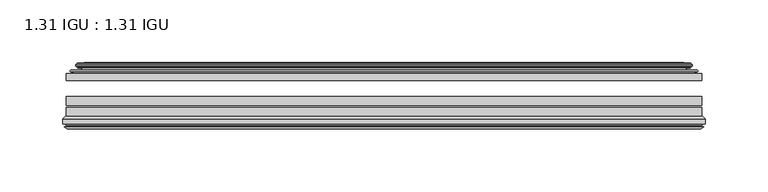
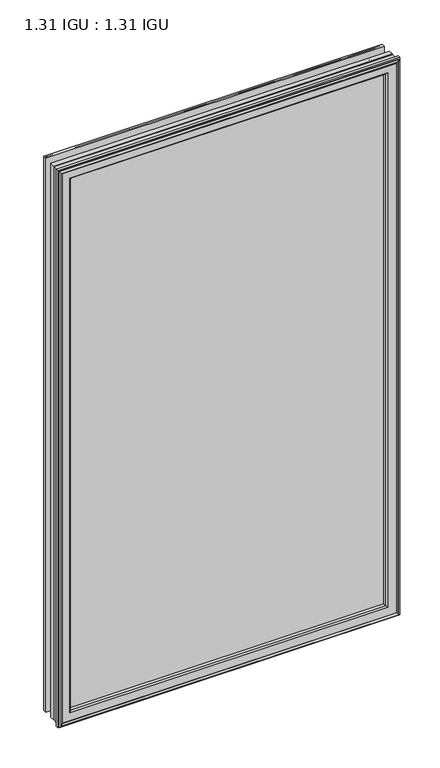
"""IFC4 building model written with IfcOpenShell, lengths in millimetres: plate geometry, 1.31 IGU : 1.31 IGU."""

from ifc_helpers import new_model, si_unit, frame, origin, place, context, project, spatial, polyline, ellipse_curve, outline, extrude, source, transform, mapped, element, save
from ifc_brep_helpers import plane_surface, cylinder_surface, revolved_surface, advanced_brep


def plate_1_31_igu_1_31_igu_8b9e6db9(model_context):
    return source(origin(), model_context, "Body", "SolidModel", [
        extrude(outline(polyline([(252.4075649, -44.8960875), (252.4075649, -50.4332875), (-252.4125, -50.4332875), (-252.4125, -44.8960875), (252.4075649, -44.8960875)])), frame((0.0, 0.0, -14.2875), z_axis=(0.0, 0.0, 1.0), x_axis=(1.0, 0.0, 0.0)), (0.0, 0.0, 1.0), 873.125),
        extrude(outline(polyline([(-252.4125, -78.7796875), (-252.4125, -71.7692875), (252.4075649, -71.7692875), (252.4075649, -78.7796875), (-252.4125, -78.7796875)])), frame((0.0, 0.0, -14.2875), z_axis=(0.0, 0.0, 1.0), x_axis=(1.0, 0.0, 0.0)), (0.0, 0.0, 1.0), 873.125),
        extrude(outline(polyline([(-252.4125, -70.2452875), (-252.4125, -63.1332875), (252.4075649, -63.1332875), (252.4075649, -70.2452875), (-252.4125, -70.2452875)])), frame((0.0, 0.0, -14.2875), z_axis=(0.0, 0.0, 1.0), x_axis=(1.0, 0.0, 0.0)), (0.0, 0.0, 1.0), 873.125),
        advanced_brep(
        [(-243.0671755, -37.7373382, 849.4921755), (-238.1255426, -36.3108875, 844.5505426), (-238.1255426, -36.3108875, -0.0005426), (-243.0671755, -37.7373382, -4.9421755), (-242.9020702, -36.9605789, 849.3270702), (-242.9020702, -36.9605789, -4.7770702), (-243.4975559, -36.4771203, 849.9225559), (-243.4975559, -36.4771203, -5.3725559), (-244.7621917, -37.766076, 851.1871917), (-244.7621917, -37.766076, -6.6371917), (-244.7513749, -38.8797852, 851.1763749), (-244.7513749, -38.8797852, -6.6263749), (-243.4698897, -40.1361433, 849.8948897), (-243.4698897, -40.1361433, -5.3448897), (-242.8648829, -39.649943, 849.2898829), (-242.8648829, -39.649943, -4.7398829), (-243.4188972, -39.0959287, 849.8438972), (-243.4188972, -39.0959287, -5.2938972), (-241.1330887, -38.7029881, 847.5580887), (-241.1330887, -38.7029881, -3.0080887), (-239.6740157, -40.2107282, 846.0990157), (-239.6740157, -40.2107282, -1.5490157), (-239.9705976, -41.651269, 846.3955976), (-239.9705976, -41.651269, -1.8455976), (-240.7418221, -42.2798875, 847.1668221), (-240.7418221, -42.2798875, -2.6168221), (-249.0457984, -43.4871542, 855.4707984), (-248.7705969, -42.2798875, 855.1955969), (-248.7705969, -42.2798875, -10.6455969), (-249.0457984, -43.4871542, -10.9207984), (-245.5882297, -44.8960875, 852.0132297), (-245.5882297, -44.8960875, -7.4632297), (-234.4906059, -44.023302, 840.9156059), (-234.8459439, -44.8960875, 841.2709439), (-234.8459439, -44.8960875, 3.2790561), (-234.4906059, -44.023302, 3.6343941), (-235.161804, -43.3681812, 841.586804), (-235.161804, -43.3681812, 2.963196), (-236.8025946, -40.6686056, 843.2275946), (-236.8025946, -40.6686056, 1.3224054), (238.1255426, -36.3108875, -0.0005426), (243.0671755, -37.7373382, -4.9421755), (242.9020702, -36.9605789, -4.7770702), (243.4975559, -36.4771203, -5.3725559), (244.7621917, -37.766076, -6.6371917), (244.7513749, -38.8797852, -6.6263749), (243.4698897, -40.1361433, -5.3448897), (242.8648829, -39.649943, -4.7398829), (243.4188972, -39.0959287, -5.2938972), (241.1330887, -38.7029881, -3.0080887), (239.6740157, -40.2107282, -1.5490157), (239.9705976, -41.651269, -1.8455976), (240.7418221, -42.2798875, -2.6168221), (248.7705969, -42.2798875, -10.6455969), (249.0457984, -43.4871542, -10.9207984), (245.5882297, -44.8960875, -7.4632297), (234.8459439, -44.8960875, 3.2790561), (234.4906059, -44.023302, 3.6343941), (235.161804, -43.3681812, 2.963196), (236.8025946, -40.6686056, 1.3224054), (238.1255426, -36.3108875, 844.5505426), (243.0671755, -37.7373382, 849.4921755), (242.9020702, -36.9605789, 849.3270702), (243.4975559, -36.4771203, 849.9225559), (244.7621917, -37.766076, 851.1871917), (244.7513749, -38.8797852, 851.1763749), (243.4698897, -40.1361433, 849.8948897), (242.8648829, -39.649943, 849.2898829), (243.4188972, -39.0959287, 849.8438972), (241.1330887, -38.7029881, 847.5580887), (239.6740157, -40.2107282, 846.0990157), (239.9705976, -41.651269, 846.3955976), (240.7418221, -42.2798875, 847.1668221), (248.7705969, -42.2798875, 855.1955969), (249.0457984, -43.4871542, 855.4707984), (245.5882297, -44.8960875, 852.0132297), (234.8459439, -44.8960875, 841.2709439), (234.4906059, -44.023302, 840.9156059), (235.161804, -43.3681812, 841.586804), (236.8025946, -40.6686056, 843.2275946)],
        [
            (0, 1),
            (1, 2),
            (2, 3),
            (3, 0),
            (4, 0),
            (3, 5),
            (5, 4),
            (6, 4, ellipse_curve(frame((-243.2225871, -36.746901, 849.6475871), z_axis=(-0.7071067811865475, 0.0, -0.7071067811865475), x_axis=(-0.7071067811865474, 0.0, 0.7071067811865476)), 0.5447741, 0.3852135)),
            (5, 7, ellipse_curve(frame((-243.2225871, -36.746901, -5.0975871), z_axis=(-0.7071067811865475, 0.0, 0.7071067811865475), x_axis=(0.7071067811865474, 0.0, 0.7071067811865476)), 0.5447741, 0.3852135)),
            (7, 6),
            (8, 6),
            (7, 9),
            (9, 8),
            (10, 8, ellipse_curve(frame((-244.2001387, -38.3175243, 850.6251387), z_axis=(-0.7071067811865475, 0.0, -0.7071067811865475), x_axis=(-0.7071067811865474, 0.0, 0.7071067811865476)), 1.1135518, 0.7874)),
            (9, 11, ellipse_curve(frame((-244.2001387, -38.3175243, -6.0751387), z_axis=(-0.7071067811865475, 0.0, 0.7071067811865475), x_axis=(0.7071067811865474, 0.0, 0.7071067811865476)), 1.1135518, 0.7874)),
            (11, 10),
            (12, 10),
            (11, 13),
            (13, 12),
            (14, 12, ellipse_curve(frame((-243.1962922, -39.8570738, 849.6212922), z_axis=(-0.7071067811865475, 0.0, -0.7071067811865475), x_axis=(-0.7071067811865474, 0.0, 0.7071067811865476)), 0.552694, 0.3908137)),
            (13, 15, ellipse_curve(frame((-243.1962922, -39.8570738, -5.0712922), z_axis=(-0.7071067811865475, 0.0, 0.7071067811865475), x_axis=(0.7071067811865474, 0.0, 0.7071067811865476)), 0.552694, 0.3908137)),
            (15, 14),
            (16, 14),
            (15, 17),
            (17, 16),
            (18, 16),
            (17, 19),
            (19, 18),
            (20, 18, ellipse_curve(frame((-240.9179261, -39.954629, 847.3429261), z_axis=(0.7071067811865475, 0.0, 0.7071067811865475), x_axis=(0.7071067811865474, 0.0, -0.7071067811865476)), 1.7960512, 1.27)),
            (19, 21, ellipse_curve(frame((-240.9179261, -39.954629, -2.7929261), z_axis=(0.7071067811865475, 0.0, -0.7071067811865475), x_axis=(-0.7071067811865474, 0.0, -0.7071067811865476)), 1.7960512, 1.27)),
            (21, 20),
            (22, 20),
            (21, 23),
            (23, 22),
            (24, 22, ellipse_curve(frame((-240.7418221, -41.4924875, 847.1668221), z_axis=(0.7071067811865475, 0.0, 0.7071067811865475), x_axis=(0.7071067811865474, 0.0, -0.7071067811865476)), 1.1135518, 0.7874)),
            (23, 25, ellipse_curve(frame((-240.7418221, -41.4924875, -2.6168221), z_axis=(0.7071067811865475, 0.0, -0.7071067811865475), x_axis=(-0.7071067811865474, 0.0, -0.7071067811865476)), 1.1135518, 0.7874)),
            (25, 24),
            (26, 27, ellipse_curve(frame((-248.7705969, -42.9148875, 855.1955969), z_axis=(-0.7071067811865475, 0.0, -0.7071067811865475), x_axis=(-0.7071067811865474, 0.0, 0.7071067811865476)), 0.8980256, 0.635)),
            (27, 28),
            (28, 29, ellipse_curve(frame((-248.7705969, -42.9148875, -10.6455969), z_axis=(-0.7071067811865475, 0.0, 0.7071067811865475), x_axis=(0.7071067811865474, 0.0, 0.7071067811865476)), 0.8980256, 0.635)),
            (29, 26),
            (30, 26),
            (29, 31),
            (31, 30),
            (32, 33, ellipse_curve(frame((-234.8459439, -44.3873602, 841.2709439), z_axis=(-0.7071067811865475, 0.0, -0.7071067811865475), x_axis=(-0.7071067811865474, 0.0, 0.7071067811865476)), 0.719449, 0.5087273)),
            (33, 34),
            (34, 35, ellipse_curve(frame((-234.8459439, -44.3873602, 3.2790561), z_axis=(-0.7071067811865475, 0.0, 0.7071067811865475), x_axis=(0.7071067811865474, 0.0, 0.7071067811865476)), 0.719449, 0.5087273)),
            (35, 32),
            (36, 32),
            (35, 37),
            (37, 36),
            (38, 36, ellipse_curve(frame((-230.7264298, -38.823959, 837.1514298), z_axis=(0.7071067811865475, 0.0, 0.7071067811865475), x_axis=(0.7071067811865474, 0.0, -0.7071067811865476)), 8.9802561, 6.35)),
            (37, 39, ellipse_curve(frame((-230.7264298, -38.823959, 7.3985702), z_axis=(0.7071067811865475, 0.0, -0.7071067811865475), x_axis=(-0.7071067811865474, 0.0, -0.7071067811865476)), 8.9802561, 6.35)),
            (39, 38),
            (1, 38),
            (39, 2),
            (2, 40),
            (40, 41),
            (41, 3),
            (41, 42),
            (42, 5),
            (42, 43, ellipse_curve(frame((243.2225871, -36.746901, -5.0975871), z_axis=(-0.7071067811865475, 0.0, -0.7071067811865475), x_axis=(-0.7071067811865476, 0.0, 0.7071067811865474)), 0.5447741, 0.3852135)),
            (43, 7),
            (43, 44),
            (44, 9),
            (44, 45, ellipse_curve(frame((244.2001387, -38.3175243, -6.0751387), z_axis=(-0.7071067811865475, 0.0, -0.7071067811865475), x_axis=(-0.7071067811865476, 0.0, 0.7071067811865474)), 1.1135518, 0.7874)),
            (45, 11),
            (45, 46),
            (46, 13),
            (46, 47, ellipse_curve(frame((243.1962922, -39.8570738, -5.0712922), z_axis=(-0.7071067811865475, 0.0, -0.7071067811865475), x_axis=(-0.7071067811865476, 0.0, 0.7071067811865474)), 0.552694, 0.3908137)),
            (47, 15),
            (47, 48),
            (48, 17),
            (48, 49),
            (49, 19),
            (49, 50, ellipse_curve(frame((240.9179261, -39.954629, -2.7929261), z_axis=(0.7071067811865475, 0.0, 0.7071067811865475), x_axis=(0.7071067811865476, 0.0, -0.7071067811865474)), 1.7960512, 1.27)),
            (50, 21),
            (50, 51),
            (51, 23),
            (51, 52, ellipse_curve(frame((240.7418221, -41.4924875, -2.6168221), z_axis=(0.7071067811865475, 0.0, 0.7071067811865475), x_axis=(0.7071067811865476, 0.0, -0.7071067811865474)), 1.1135518, 0.7874)),
            (52, 25),
            (28, 53),
            (53, 54, ellipse_curve(frame((248.7705969, -42.9148875, -10.6455969), z_axis=(-0.7071067811865475, 0.0, -0.7071067811865475), x_axis=(-0.7071067811865476, 0.0, 0.7071067811865474)), 0.8980256, 0.635)),
            (54, 29),
            (54, 55),
            (55, 31),
            (34, 56),
            (56, 57, ellipse_curve(frame((234.8459439, -44.3873602, 3.2790561), z_axis=(-0.7071067811865475, 0.0, -0.7071067811865475), x_axis=(-0.7071067811865476, 0.0, 0.7071067811865474)), 0.719449, 0.5087273)),
            (57, 35),
            (57, 58),
            (58, 37),
            (58, 59, ellipse_curve(frame((230.7264298, -38.823959, 7.3985702), z_axis=(0.7071067811865475, 0.0, 0.7071067811865475), x_axis=(0.7071067811865476, 0.0, -0.7071067811865474)), 8.9802561, 6.35)),
            (59, 39),
            (59, 40),
            (40, 60),
            (60, 61),
            (61, 41),
            (61, 62),
            (62, 42),
            (62, 63, ellipse_curve(frame((243.2225871, -36.746901, 849.6475871), z_axis=(0.7071067811865475, 0.0, -0.7071067811865475), x_axis=(-0.7071067811865474, 0.0, -0.7071067811865476)), 0.5447741, 0.3852135)),
            (63, 43),
            (63, 64),
            (64, 44),
            (64, 65, ellipse_curve(frame((244.2001387, -38.3175243, 850.6251387), z_axis=(0.7071067811865475, 0.0, -0.7071067811865475), x_axis=(-0.7071067811865474, 0.0, -0.7071067811865476)), 1.1135518, 0.7874)),
            (65, 45),
            (65, 66),
            (66, 46),
            (66, 67, ellipse_curve(frame((243.1962922, -39.8570738, 849.6212922), z_axis=(0.7071067811865475, 0.0, -0.7071067811865475), x_axis=(-0.7071067811865474, 0.0, -0.7071067811865476)), 0.552694, 0.3908137)),
            (67, 47),
            (67, 68),
            (68, 48),
            (68, 69),
            (69, 49),
            (69, 70, ellipse_curve(frame((240.9179261, -39.954629, 847.3429261), z_axis=(-0.7071067811865475, 0.0, 0.7071067811865475), x_axis=(0.7071067811865474, 0.0, 0.7071067811865476)), 1.7960512, 1.27)),
            (70, 50),
            (70, 71),
            (71, 51),
            (71, 72, ellipse_curve(frame((240.7418221, -41.4924875, 847.1668221), z_axis=(-0.7071067811865475, 0.0, 0.7071067811865475), x_axis=(0.7071067811865474, 0.0, 0.7071067811865476)), 1.1135518, 0.7874)),
            (72, 52),
            (53, 73),
            (73, 74, ellipse_curve(frame((248.7705969, -42.9148875, 855.1955969), z_axis=(0.7071067811865475, 0.0, -0.7071067811865475), x_axis=(-0.7071067811865474, 0.0, -0.7071067811865476)), 0.8980256, 0.635)),
            (74, 54),
            (74, 75),
            (75, 55),
            (56, 76),
            (76, 77, ellipse_curve(frame((234.8459439, -44.3873602, 841.2709439), z_axis=(0.7071067811865475, 0.0, -0.7071067811865475), x_axis=(-0.7071067811865474, 0.0, -0.7071067811865476)), 0.719449, 0.5087273)),
            (77, 57),
            (77, 78),
            (78, 58),
            (78, 79, ellipse_curve(frame((230.7264298, -38.823959, 837.1514298), z_axis=(-0.7071067811865475, 0.0, 0.7071067811865475), x_axis=(0.7071067811865474, 0.0, 0.7071067811865476)), 8.9802561, 6.35)),
            (79, 59),
            (79, 60),
            (60, 1),
            (0, 61),
            (4, 62),
            (6, 63),
            (8, 64),
            (10, 65),
            (12, 66),
            (14, 67),
            (16, 68),
            (18, 69),
            (20, 70),
            (22, 71),
            (24, 72),
            (27, 73),
            (26, 74),
            (30, 75),
            (33, 76),
            (32, 77),
            (36, 78),
            (38, 79),
        ],
        [
            plane_surface(frame((-238.1255426, -36.3108875, 844.5505426), z_axis=(-0.27733649284928547, 0.9607728502273877, 0.0), x_axis=(0.0, 0.0, -1.0))),
            plane_surface(frame((-243.0671755, -37.7373382, 849.4921755), z_axis=(0.9781476007338358, -0.20791169081761768, 0.0), x_axis=(0.0, 0.0, -1.0))),
            cylinder_surface(frame((-243.2225871, -36.746901, 876.3), z_axis=(0.0, 0.0, 1.0), x_axis=(-1.0, 0.0, 0.0)), 0.3852135),
            plane_surface(frame((-243.4975559, -36.4771203, 849.9225559), z_axis=(-0.7138087599382162, 0.7003406701280928, 0.0), x_axis=(0.0, 0.0, -1.0))),
            cylinder_surface(frame((-244.2001387, -38.3175243, 876.3), z_axis=(0.0, 0.0, 1.0), x_axis=(-1.0, 0.0, 0.0)), 0.7874),
            plane_surface(frame((-244.7513749, -38.8797852, 851.1763749), z_axis=(-0.7000714109283732, -0.7140728391423082, 0.0), x_axis=(0.0, 0.0, -1.0))),
            cylinder_surface(frame((-243.1962922, -39.8570738, 876.3), z_axis=(0.0, 0.0, 1.0), x_axis=(-1.0, 0.0, 0.0)), 0.3908137),
            plane_surface(frame((-242.8648829, -39.649943, 849.2898829), z_axis=(0.7071067811861125, 0.7071067811869827, 0.0), x_axis=(0.0, 0.0, -1.0))),
            plane_surface(frame((-243.4188972, -39.0959287, 849.8438972), z_axis=(0.16941940671011485, -0.9855440449974789, 0.0), x_axis=(0.0, 0.0, -1.0))),
            revolved_surface(polyline([(-242.1879261, -39.954629, -4.0629260828783345), (-242.1879261, -39.954629, 848.6129260828783)]), (-240.9179261, -39.954629, 876.3), (0.0, 0.0, -1.0)),
            plane_surface(frame((-239.6740157, -40.2107282, 846.0990157), z_axis=(-0.9794570432566897, 0.20165292067030197, 0.0), x_axis=(0.0, 0.0, -1.0))),
            revolved_surface(polyline([(-241.5292221, -41.4924875, -3.4042221289824965), (-241.5292221, -41.4924875, 847.9542221289825)]), (-240.7418221, -41.4924875, 876.3), (0.0, 0.0, -1.0)),
            cylinder_surface(frame((-248.7705969, -42.9148875, 876.3), z_axis=(0.0, 0.0, 1.0), x_axis=(-1.0, 0.0, 0.0)), 0.635),
            plane_surface(frame((-249.0457984, -43.4871542, 855.4707984), z_axis=(-0.3773644754275793, -0.9260648209954139, 0.0), x_axis=(0.0, 0.0, -1.0))),
            cylinder_surface(frame((-234.8459439, -44.3873602, 876.3), z_axis=(0.0, 0.0, 1.0), x_axis=(-1.0, 0.0, 0.0)), 0.5087273),
            plane_surface(frame((-234.4906059, -44.023302, 840.9156059), z_axis=(0.698484125849927, 0.7156255486884628, 0.0), x_axis=(0.0, 0.0, -1.0))),
            revolved_surface(polyline([(-237.0764298, -38.823959, 1.0485702148981773), (-237.0764298, -38.823959, 843.5014297851018)]), (-230.7264298, -38.823959, 876.3), (0.0, 0.0, -1.0)),
            plane_surface(frame((-236.8025946, -40.6686056, 843.2275946), z_axis=(0.9568763473517009, 0.2904955350411896, 0.0), x_axis=(0.0, 0.0, -1.0))),
            plane_surface(frame((-238.1255426, -36.3108875, -0.0005426), z_axis=(0.0, 0.9607728502273868, -0.2773364928492885), x_axis=(1.0, 0.0, 0.0))),
            plane_surface(frame((-243.0671755, -37.7373382, -4.9421755), z_axis=(0.0, -0.20791169081761454, 0.9781476007338364), x_axis=(1.0, 0.0, 0.0))),
            cylinder_surface(frame((-269.875, -36.746901, -5.0975871), z_axis=(-1.0, 0.0, 0.0), x_axis=(0.0, 0.0, -1.0)), 0.3852135),
            plane_surface(frame((-243.4975559, -36.4771203, -5.3725559), z_axis=(0.0, 0.7003406701280904, -0.7138087599382185), x_axis=(1.0, 0.0, 0.0))),
            cylinder_surface(frame((-269.875, -38.3175243, -6.0751387), z_axis=(-1.0, 0.0, 0.0), x_axis=(0.0, 0.0, -1.0)), 0.7874),
            plane_surface(frame((-244.7513749, -38.8797852, -6.6263749), z_axis=(0.0, -0.7140728391423105, -0.7000714109283709), x_axis=(1.0, 0.0, 0.0))),
            cylinder_surface(frame((-269.875, -39.8570738, -5.0712922), z_axis=(-1.0, 0.0, 0.0), x_axis=(0.0, 0.0, -1.0)), 0.3908137),
            plane_surface(frame((-242.8648829, -39.649943, -4.7398829), z_axis=(0.0, 0.7071067811869849, 0.7071067811861103), x_axis=(1.0, 0.0, 0.0))),
            plane_surface(frame((-243.4188972, -39.0959287, -5.2938972), z_axis=(0.0, -0.9855440449974784, 0.16941940671011801), x_axis=(1.0, 0.0, 0.0))),
            revolved_surface(polyline([(242.18792608287822, -39.954629, -4.0629261), (-242.18792608287822, -39.954629, -4.0629261)]), (-269.875, -39.954629, -2.7929261), (1.0, 0.0, 0.0)),
            plane_surface(frame((-239.6740157, -40.2107282, -1.5490157), z_axis=(0.0, 0.20165292067029883, -0.9794570432566904), x_axis=(1.0, 0.0, 0.0))),
            revolved_surface(polyline([(241.5292221289825, -41.4924875, -3.4042220999999997), (-241.5292221289825, -41.4924875, -3.4042220999999997)]), (-269.875, -41.4924875, -2.6168221), (1.0, 0.0, 0.0)),
            cylinder_surface(frame((-269.875, -42.9148875, -10.6455969), z_axis=(-1.0, 0.0, 0.0), x_axis=(0.0, 0.0, -1.0)), 0.635),
            plane_surface(frame((-249.0457984, -43.4871542, -10.9207984), z_axis=(0.0, -0.9260648209954151, -0.37736447542757634), x_axis=(1.0, 0.0, 0.0))),
            cylinder_surface(frame((-269.875, -44.3873602, 3.2790561), z_axis=(-1.0, 0.0, 0.0), x_axis=(0.0, 0.0, -1.0)), 0.5087273),
            plane_surface(frame((-234.4906059, -44.023302, 3.6343941), z_axis=(0.0, 0.7156255486884651, 0.6984841258499247), x_axis=(1.0, 0.0, 0.0))),
            revolved_surface(polyline([(237.07642978510188, -38.823959, 1.0485702000000003), (-237.07642978510188, -38.823959, 1.0485702000000003)]), (-269.875, -38.823959, 7.3985702), (1.0, 0.0, 0.0)),
            plane_surface(frame((-236.8025946, -40.6686056, 1.3224054), z_axis=(0.0, 0.29049553504119263, 0.9568763473517), x_axis=(1.0, 0.0, 0.0))),
            plane_surface(frame((238.1255426, -36.3108875, -0.0005426), z_axis=(0.27733649284929157, 0.9607728502273859, 0.0), x_axis=(0.0, 0.0, 1.0))),
            plane_surface(frame((243.0671755, -37.7373382, -4.9421755), z_axis=(-0.9781476007338371, -0.2079116908176114, 0.0), x_axis=(0.0, 0.0, 1.0))),
            cylinder_surface(frame((243.2225871, -36.746901, -31.75), z_axis=(0.0, 0.0, -1.0), x_axis=(1.0, 0.0, 0.0)), 0.3852135),
            plane_surface(frame((243.4975559, -36.4771203, -5.3725559), z_axis=(0.7138087599382208, 0.7003406701280882, 0.0), x_axis=(0.0, 0.0, 1.0))),
            cylinder_surface(frame((244.2001387, -38.3175243, -31.75), z_axis=(0.0, 0.0, -1.0), x_axis=(1.0, 0.0, 0.0)), 0.7874),
            plane_surface(frame((244.7513749, -38.8797852, -6.6263749), z_axis=(0.7000714109283687, -0.7140728391423128, 0.0), x_axis=(0.0, 0.0, 1.0))),
            cylinder_surface(frame((243.1962922, -39.8570738, -31.75), z_axis=(0.0, 0.0, -1.0), x_axis=(1.0, 0.0, 0.0)), 0.3908137),
            plane_surface(frame((242.8648829, -39.649943, -4.7398829), z_axis=(-0.707106781186108, 0.7071067811869871, 0.0), x_axis=(0.0, 0.0, 1.0))),
            plane_surface(frame((243.4188972, -39.0959287, -5.2938972), z_axis=(-0.16941940671012118, -0.9855440449974778, 0.0), x_axis=(0.0, 0.0, 1.0))),
            revolved_surface(polyline([(242.1879261, -39.954629, 848.6129260828783), (242.1879261, -39.954629, -4.062926082878235)]), (240.9179261, -39.954629, -31.75), (0.0, 0.0, 1.0)),
            plane_surface(frame((239.6740157, -40.2107282, -1.5490157), z_axis=(0.979457043256691, 0.2016529206702957, 0.0), x_axis=(0.0, 0.0, 1.0))),
            revolved_surface(polyline([(241.5292221, -41.4924875, 847.9542221289825), (241.5292221, -41.4924875, -3.404222128982486)]), (240.7418221, -41.4924875, -31.75), (0.0, 0.0, 1.0)),
            cylinder_surface(frame((248.7705969, -42.9148875, -31.75), z_axis=(0.0, 0.0, -1.0), x_axis=(1.0, 0.0, 0.0)), 0.635),
            plane_surface(frame((249.0457984, -43.4871542, -10.9207984), z_axis=(0.3773644754275734, -0.9260648209954163, 0.0), x_axis=(0.0, 0.0, 1.0))),
            cylinder_surface(frame((234.8459439, -44.3873602, -31.75), z_axis=(0.0, 0.0, -1.0), x_axis=(1.0, 0.0, 0.0)), 0.5087273),
            plane_surface(frame((234.4906059, -44.023302, 3.6343941), z_axis=(-0.6984841258499224, 0.7156255486884673, 0.0), x_axis=(0.0, 0.0, 1.0))),
            revolved_surface(polyline([(237.0764298, -38.823959, 843.5014297851018), (237.0764298, -38.823959, 1.0485702148981417)]), (230.7264298, -38.823959, -31.75), (0.0, 0.0, 1.0)),
            plane_surface(frame((236.8025946, -40.6686056, 1.3224054), z_axis=(-0.9568763473516991, 0.2904955350411957, 0.0), x_axis=(0.0, 0.0, 1.0))),
            plane_surface(frame((238.1255426, -36.3108875, 844.5505426), z_axis=(0.0, 0.9607728502273868, 0.2773364928492885), x_axis=(-1.0, 0.0, 0.0))),
            plane_surface(frame((243.0671755, -37.7373382, 849.4921755), z_axis=(0.0, -0.20791169081761454, -0.9781476007338364), x_axis=(-1.0, 0.0, 0.0))),
            cylinder_surface(frame((269.875, -36.746901, 849.6475871), z_axis=(1.0, 0.0, 0.0), x_axis=(0.0, 0.0, 1.0)), 0.3852135),
            plane_surface(frame((243.4975559, -36.4771203, 849.9225559), z_axis=(0.0, 0.7003406701280904, 0.7138087599382185), x_axis=(-1.0, 0.0, 0.0))),
            cylinder_surface(frame((269.875, -38.3175243, 850.6251387), z_axis=(1.0, 0.0, 0.0), x_axis=(0.0, 0.0, 1.0)), 0.7874),
            plane_surface(frame((244.7513749, -38.8797852, 851.1763749), z_axis=(0.0, -0.7140728391423106, 0.700071410928371), x_axis=(-1.0, 0.0, 0.0))),
            cylinder_surface(frame((269.875, -39.8570738, 849.6212922), z_axis=(1.0, 0.0, 0.0), x_axis=(0.0, 0.0, 1.0)), 0.3908137),
            plane_surface(frame((242.8648829, -39.649943, 849.2898829), z_axis=(0.0, 0.7071067811869849, -0.7071067811861103), x_axis=(-1.0, 0.0, 0.0))),
            plane_surface(frame((243.4188972, -39.0959287, 849.8438972), z_axis=(0.0, -0.9855440449974784, -0.16941940671011801), x_axis=(-1.0, 0.0, 0.0))),
            revolved_surface(polyline([(-242.18792608287822, -39.954629, 848.6129261), (242.18792608287822, -39.954629, 848.6129261)]), (269.875, -39.954629, 847.3429261), (-1.0, 0.0, 0.0)),
            plane_surface(frame((239.6740157, -40.2107282, 846.0990157), z_axis=(0.0, 0.20165292067029883, 0.9794570432566904), x_axis=(-1.0, 0.0, 0.0))),
            revolved_surface(polyline([(-241.5292221289825, -41.4924875, 847.9542221), (241.5292221289825, -41.4924875, 847.9542221)]), (269.875, -41.4924875, 847.1668221), (-1.0, 0.0, 0.0)),
            plane_surface(frame((240.7418221, -42.2798875, 847.1668221), z_axis=(0.0, 1.0, 0.0), x_axis=(-1.0, 0.0, 0.0))),
            cylinder_surface(frame((269.875, -42.9148875, 855.1955969), z_axis=(1.0, 0.0, 0.0), x_axis=(0.0, 0.0, 1.0)), 0.635),
            plane_surface(frame((249.0457984, -43.4871542, 855.4707984), z_axis=(0.0, -0.9260648209954151, 0.37736447542757634), x_axis=(-1.0, 0.0, 0.0))),
            plane_surface(frame((245.5882297, -44.8960875, 852.0132297), z_axis=(0.0, -1.0, 0.0), x_axis=(-1.0, 0.0, 0.0))),
            cylinder_surface(frame((269.875, -44.3873602, 841.2709439), z_axis=(1.0, 0.0, 0.0), x_axis=(0.0, 0.0, 1.0)), 0.5087273),
            plane_surface(frame((234.4906059, -44.023302, 840.9156059), z_axis=(0.0, 0.7156255486884651, -0.6984841258499247), x_axis=(-1.0, 0.0, 0.0))),
            revolved_surface(polyline([(-237.07642978510188, -38.823959, 843.5014298), (237.07642978510188, -38.823959, 843.5014298)]), (269.875, -38.823959, 837.1514298), (-1.0, 0.0, 0.0)),
            plane_surface(frame((236.8025946, -40.6686056, 843.2275946), z_axis=(0.0, 0.29049553504119263, -0.9568763473517), x_axis=(-1.0, 0.0, 0.0))),
        ],
        [
            (0, [[1, 2, 3, 4]]),
            (1, [[5, -4, 6, 7]]),
            (2, [[8, -7, 9, 10]]),
            (3, [[11, -10, 12, 13]]),
            (4, [[14, -13, 15, 16]]),
            (5, [[17, -16, 18, 19]]),
            (6, [[20, -19, 21, 22]]),
            (7, [[23, -22, 24, 25]]),
            (8, [[26, -25, 27, 28]]),
            (9, [[29, -28, 30, 31]]),
            (10, [[32, -31, 33, 34]]),
            (11, [[35, -34, 36, 37]]),
            (12, [[38, 39, 40, 41]]),
            (13, [[42, -41, 43, 44]]),
            (14, [[45, 46, 47, 48]]),
            (15, [[49, -48, 50, 51]]),
            (16, [[52, -51, 53, 54]]),
            (17, [[55, -54, 56, -2]]),
            (18, [[-3, 57, 58, 59]]),
            (19, [[-6, -59, 60, 61]]),
            (20, [[-9, -61, 62, 63]]),
            (21, [[-12, -63, 64, 65]]),
            (22, [[-15, -65, 66, 67]]),
            (23, [[-18, -67, 68, 69]]),
            (24, [[-21, -69, 70, 71]]),
            (25, [[-24, -71, 72, 73]]),
            (26, [[-27, -73, 74, 75]]),
            (27, [[-30, -75, 76, 77]]),
            (28, [[-33, -77, 78, 79]]),
            (29, [[-36, -79, 80, 81]]),
            (30, [[-40, 82, 83, 84]]),
            (31, [[-43, -84, 85, 86]]),
            (32, [[-47, 87, 88, 89]]),
            (33, [[-50, -89, 90, 91]]),
            (34, [[-53, -91, 92, 93]]),
            (35, [[-56, -93, 94, -57]]),
            (36, [[-58, 95, 96, 97]]),
            (37, [[-60, -97, 98, 99]]),
            (38, [[-62, -99, 100, 101]]),
            (39, [[-64, -101, 102, 103]]),
            (40, [[-66, -103, 104, 105]]),
            (41, [[-68, -105, 106, 107]]),
            (42, [[-70, -107, 108, 109]]),
            (43, [[-72, -109, 110, 111]]),
            (44, [[-74, -111, 112, 113]]),
            (45, [[-76, -113, 114, 115]]),
            (46, [[-78, -115, 116, 117]]),
            (47, [[-80, -117, 118, 119]]),
            (48, [[-83, 120, 121, 122]]),
            (49, [[-85, -122, 123, 124]]),
            (50, [[-88, 125, 126, 127]]),
            (51, [[-90, -127, 128, 129]]),
            (52, [[-92, -129, 130, 131]]),
            (53, [[-94, -131, 132, -95]]),
            (54, [[-96, 133, -1, 134]]),
            (55, [[-98, -134, -5, 135]]),
            (56, [[-100, -135, -8, 136]]),
            (57, [[-102, -136, -11, 137]]),
            (58, [[-104, -137, -14, 138]]),
            (59, [[-106, -138, -17, 139]]),
            (60, [[-108, -139, -20, 140]]),
            (61, [[-110, -140, -23, 141]]),
            (62, [[-112, -141, -26, 142]]),
            (63, [[-114, -142, -29, 143]]),
            (64, [[-116, -143, -32, 144]]),
            (65, [[-118, -144, -35, 145]]),
            (66, [[146, -120, -82, -39], [-81, -119, -145, -37]]),
            (67, [[-121, -146, -38, 147]]),
            (68, [[-123, -147, -42, 148]]),
            (69, [[-86, -124, -148, -44], [149, -125, -87, -46]]),
            (70, [[-126, -149, -45, 150]]),
            (71, [[-128, -150, -49, 151]]),
            (72, [[-130, -151, -52, 152]]),
            (73, [[-132, -152, -55, -133]]),
        ],
    ),
        advanced_brep(
        [(-235.4374494, -83.3389875, 841.8624494), (-237.2125155, -85.1296875, 843.6375155), (-237.2125155, -85.1296875, 0.9124845), (-235.4374494, -83.3389875, 2.6875506), (-234.4142401, -78.7796875, 840.8392401), (-234.4142401, -78.7796875, 3.7107599), (-254.9949491, -80.9740477, 861.4199491), (-252.8005889, -78.7796875, 859.2255889), (-252.8005889, -78.7796875, -14.6755889), (-254.9949491, -80.9740477, -16.8699491), (-254.9949491, -85.1296875, 861.4199491), (-254.9949491, -85.1296875, -16.8699491), (-252.4698889, -86.3747112, 858.8948889), (-253.2211159, -85.1296875, 859.6461159), (-253.2211159, -85.1296875, -15.0961159), (-252.4698889, -86.3747112, -14.3448889), (-252.1603598, -87.6502863, 858.5853598), (-252.1603598, -87.6502863, -14.0353598), (-253.1784732, -87.2076396, 859.6034732), (-253.1784732, -87.2076396, -15.0534732), (-251.4914838, -88.8840626, 857.9164838), (-253.9731832, -87.2076396, 860.3981832), (-253.9731832, -87.2076396, -15.8481832), (-251.4914838, -88.8840626, -13.3664838), (-249.3396584, -86.9401656, 855.7646584), (-249.3396584, -86.9401656, -11.2146584), (-251.0470126, -87.5528811, 857.4720126), (-250.1212314, -86.9401656, 856.5462314), (-250.1212314, -86.9401656, -11.9962314), (-251.0470126, -87.5528811, -12.9220126), (-250.9636873, -86.2429356, 857.3886873), (-250.9636873, -86.2429356, -12.8386873), (-250.3654492, -85.1296875, 856.7904492), (-250.3654492, -85.1296875, -12.2404492), (237.2125155, -85.1296875, 0.9124845), (235.4374494, -83.3389875, 2.6875506), (234.4142401, -78.7796875, 3.7107599), (252.8005889, -78.7796875, -14.6755889), (254.9949491, -80.9740477, -16.8699491), (254.9949491, -85.1296875, -16.8699491), (253.2211159, -85.1296875, -15.0961159), (252.4698889, -86.3747112, -14.3448889), (252.1603598, -87.6502863, -14.0353598), (253.1784732, -87.2076396, -15.0534732), (253.9731832, -87.2076396, -15.8481832), (251.4914838, -88.8840626, -13.3664838), (249.3396584, -86.9401656, -11.2146584), (250.1212314, -86.9401656, -11.9962314), (251.0470126, -87.5528811, -12.9220126), (250.9636873, -86.2429356, -12.8386873), (250.3654492, -85.1296875, -12.2404492), (237.2125155, -85.1296875, 843.6375155), (235.4374494, -83.3389875, 841.8624494), (234.4142401, -78.7796875, 840.8392401), (252.8005889, -78.7796875, 859.2255889), (254.9949491, -80.9740477, 861.4199491), (254.9949491, -85.1296875, 861.4199491), (253.2211159, -85.1296875, 859.6461159), (252.4698889, -86.3747112, 858.8948889), (252.1603598, -87.6502863, 858.5853598), (253.1784732, -87.2076396, 859.6034732), (253.9731832, -87.2076396, 860.3981832), (251.4914838, -88.8840626, 857.9164838), (249.3396584, -86.9401656, 855.7646584), (250.1212314, -86.9401656, 856.5462314), (251.0470126, -87.5528811, 857.4720126), (250.9636873, -86.2429356, 857.3886873), (250.3654492, -85.1296875, 856.7904492)],
        [
            (0, 1, ellipse_curve(frame((-237.4639505, -83.1053133, 843.8889505), z_axis=(-0.7071067811865475, 0.0, -0.7071067811865475), x_axis=(-0.7071067811865474, 0.0, 0.7071067811865476)), 2.8848953, 2.039929)),
            (1, 2),
            (2, 3, ellipse_curve(frame((-237.4639505, -83.1053133, 0.6610495), z_axis=(-0.7071067811865475, 0.0, 0.7071067811865475), x_axis=(0.7071067811865474, 0.0, 0.7071067811865476)), 2.8848953, 2.039929)),
            (3, 0),
            (4, 0),
            (3, 5),
            (5, 4),
            (6, 7),
            (7, 8),
            (8, 9),
            (9, 6),
            (10, 6),
            (9, 11),
            (11, 10),
            (12, 13),
            (13, 14),
            (14, 15),
            (15, 12),
            (16, 12),
            (15, 17),
            (17, 16),
            (18, 16),
            (17, 19),
            (19, 18),
            (20, 21),
            (21, 22),
            (22, 23),
            (23, 20),
            (24, 20),
            (23, 25),
            (25, 24),
            (26, 27),
            (27, 28),
            (28, 29),
            (29, 26),
            (30, 26),
            (29, 31),
            (31, 30),
            (32, 30),
            (31, 33),
            (33, 32),
            (2, 34),
            (34, 35, ellipse_curve(frame((237.4639505, -83.1053133, 0.6610495), z_axis=(-0.7071067811865475, 0.0, -0.7071067811865475), x_axis=(-0.7071067811865476, 0.0, 0.7071067811865474)), 2.8848953, 2.039929)),
            (35, 3),
            (35, 36),
            (36, 5),
            (8, 37),
            (37, 38),
            (38, 9),
            (38, 39),
            (39, 11),
            (14, 40),
            (40, 41),
            (41, 15),
            (41, 42),
            (42, 17),
            (42, 43),
            (43, 19),
            (22, 44),
            (44, 45),
            (45, 23),
            (45, 46),
            (46, 25),
            (28, 47),
            (47, 48),
            (48, 29),
            (48, 49),
            (49, 31),
            (49, 50),
            (50, 33),
            (34, 51),
            (51, 52, ellipse_curve(frame((237.4639505, -83.1053133, 843.8889505), z_axis=(0.7071067811865475, 0.0, -0.7071067811865475), x_axis=(-0.7071067811865474, 0.0, -0.7071067811865476)), 2.8848953, 2.039929)),
            (52, 35),
            (52, 53),
            (53, 36),
            (37, 54),
            (54, 55),
            (55, 38),
            (55, 56),
            (56, 39),
            (40, 57),
            (57, 58),
            (58, 41),
            (58, 59),
            (59, 42),
            (59, 60),
            (60, 43),
            (44, 61),
            (61, 62),
            (62, 45),
            (62, 63),
            (63, 46),
            (47, 64),
            (64, 65),
            (65, 48),
            (65, 66),
            (66, 49),
            (66, 67),
            (67, 50),
            (51, 1),
            (0, 52),
            (4, 53),
            (7, 54),
            (6, 55),
            (10, 56),
            (13, 57),
            (12, 58),
            (16, 59),
            (18, 60),
            (21, 61),
            (20, 62),
            (24, 63),
            (27, 64),
            (26, 65),
            (30, 66),
            (32, 67),
        ],
        [
            cylinder_surface(frame((-237.4639505, -83.1053133, 876.3), z_axis=(0.0, 0.0, 1.0), x_axis=(-1.0, 0.0, 0.0)), 2.039929),
            plane_surface(frame((-235.4374494, -83.3389875, 841.8624494), z_axis=(0.9757302952562701, -0.21897577701451845, 0.0), x_axis=(0.0, 0.0, -1.0))),
            plane_surface(frame((-252.8005889, -78.7796875, 859.2255889), z_axis=(-0.7071067811871723, 0.7071067811859227, 0.0), x_axis=(0.0, 0.0, -1.0))),
            plane_surface(frame((-254.9949491, -80.9740477, 861.4199491), z_axis=(-1.0, 0.0, 0.0), x_axis=(0.0, 0.0, -1.0))),
            plane_surface(frame((-253.2211159, -85.1296875, 859.6461159), z_axis=(-0.8562121193263807, -0.516624434883434, 0.0), x_axis=(0.0, 0.0, -1.0))),
            plane_surface(frame((-252.4698889, -86.3747112, 858.8948889), z_axis=(-0.9717979666139347, -0.23581499546259127, 0.0), x_axis=(0.0, 0.0, -1.0))),
            plane_surface(frame((-252.1603598, -87.6502863, 858.5853598), z_axis=(0.3987175451776161, 0.9170737806564616, 0.0), x_axis=(0.0, 0.0, -1.0))),
            plane_surface(frame((-253.9731832, -87.2076396, 860.3981832), z_axis=(-0.5597655002239059, -0.8286510633306884, 0.0), x_axis=(0.0, 0.0, -1.0))),
            plane_surface(frame((-251.4914838, -88.8840626, 857.9164838), z_axis=(0.6703456526761111, -0.7420489916024673, 0.0), x_axis=(0.0, 0.0, -1.0))),
            plane_surface(frame((-250.1212314, -86.9401656, 856.5462314), z_axis=(-0.5519083205498945, 0.8339047941508642, 0.0), x_axis=(0.0, 0.0, -1.0))),
            plane_surface(frame((-251.0470126, -87.5528811, 857.4720126), z_axis=(0.9979830161114805, -0.06348148984572209, 0.0), x_axis=(0.0, 0.0, -1.0))),
            plane_surface(frame((-250.9636873, -86.2429356, 857.3886873), z_axis=(0.8808682216207324, -0.47336157019632297, 0.0), x_axis=(0.0, 0.0, -1.0))),
            cylinder_surface(frame((-269.875, -83.1053133, 0.6610495), z_axis=(-1.0, 0.0, 0.0), x_axis=(0.0, 0.0, -1.0)), 2.039929),
            plane_surface(frame((-235.4374494, -83.3389875, 2.6875506), z_axis=(0.0, -0.21897577701451534, 0.9757302952562708), x_axis=(1.0, 0.0, 0.0))),
            plane_surface(frame((-252.8005889, -78.7796875, -14.6755889), z_axis=(0.0, 0.7071067811859205, -0.7071067811871745), x_axis=(1.0, 0.0, 0.0))),
            plane_surface(frame((-254.9949491, -80.9740477, -16.8699491), z_axis=(0.0, 0.0, -1.0), x_axis=(1.0, 0.0, 0.0))),
            plane_surface(frame((-253.2211159, -85.1296875, -15.0961159), z_axis=(0.0, -0.5166244348834368, -0.8562121193263791), x_axis=(1.0, 0.0, 0.0))),
            plane_surface(frame((-252.4698889, -86.3747112, -14.3448889), z_axis=(0.0, -0.23581499546259438, -0.9717979666139339), x_axis=(1.0, 0.0, 0.0))),
            plane_surface(frame((-252.1603598, -87.6502863, -14.0353598), z_axis=(0.0, 0.9170737806564628, 0.39871754517761315), x_axis=(1.0, 0.0, 0.0))),
            plane_surface(frame((-253.9731832, -87.2076396, -15.8481832), z_axis=(0.0, -0.8286510633306902, -0.5597655002239033), x_axis=(1.0, 0.0, 0.0))),
            plane_surface(frame((-251.4914838, -88.8840626, -13.3664838), z_axis=(0.0, -0.7420489916024652, 0.6703456526761135), x_axis=(1.0, 0.0, 0.0))),
            plane_surface(frame((-250.1212314, -86.9401656, -11.9962314), z_axis=(0.0, 0.8339047941508624, -0.5519083205498971), x_axis=(1.0, 0.0, 0.0))),
            plane_surface(frame((-251.0470126, -87.5528811, -12.9220126), z_axis=(0.0, -0.0634814898457189, 0.9979830161114808), x_axis=(1.0, 0.0, 0.0))),
            plane_surface(frame((-250.9636873, -86.2429356, -12.8386873), z_axis=(0.0, -0.47336157019632014, 0.880868221620734), x_axis=(1.0, 0.0, 0.0))),
            cylinder_surface(frame((237.4639505, -83.1053133, -31.75), z_axis=(0.0, 0.0, -1.0), x_axis=(1.0, 0.0, 0.0)), 2.039929),
            plane_surface(frame((235.4374494, -83.3389875, 2.6875506), z_axis=(-0.9757302952562714, -0.21897577701451224, 0.0), x_axis=(0.0, 0.0, 1.0))),
            plane_surface(frame((252.8005889, -78.7796875, -14.6755889), z_axis=(0.7071067811871767, 0.7071067811859183, 0.0), x_axis=(0.0, 0.0, 1.0))),
            plane_surface(frame((254.9949491, -80.9740477, -16.8699491), z_axis=(1.0, 0.0, 0.0), x_axis=(0.0, 0.0, 1.0))),
            plane_surface(frame((253.2211159, -85.1296875, -15.0961159), z_axis=(0.8562121193263774, -0.5166244348834396, 0.0), x_axis=(0.0, 0.0, 1.0))),
            plane_surface(frame((252.4698889, -86.3747112, -14.3448889), z_axis=(0.9717979666139333, -0.23581499546259752, 0.0), x_axis=(0.0, 0.0, 1.0))),
            plane_surface(frame((252.1603598, -87.6502863, -14.0353598), z_axis=(-0.3987175451776102, 0.917073780656464, 0.0), x_axis=(0.0, 0.0, 1.0))),
            plane_surface(frame((253.9731832, -87.2076396, -15.8481832), z_axis=(0.5597655002239006, -0.8286510633306919, 0.0), x_axis=(0.0, 0.0, 1.0))),
            plane_surface(frame((251.4914838, -88.8840626, -13.3664838), z_axis=(-0.6703456526761158, -0.7420489916024631, 0.0), x_axis=(0.0, 0.0, 1.0))),
            plane_surface(frame((250.1212314, -86.9401656, -11.9962314), z_axis=(0.5519083205498998, 0.8339047941508606, 0.0), x_axis=(0.0, 0.0, 1.0))),
            plane_surface(frame((251.0470126, -87.5528811, -12.9220126), z_axis=(-0.997983016111481, -0.06348148984571571, 0.0), x_axis=(0.0, 0.0, 1.0))),
            plane_surface(frame((250.9636873, -86.2429356, -12.8386873), z_axis=(-0.8808682216207355, -0.4733615701963173, 0.0), x_axis=(0.0, 0.0, 1.0))),
            cylinder_surface(frame((269.875, -83.1053133, 843.8889505), z_axis=(1.0, 0.0, 0.0), x_axis=(0.0, 0.0, 1.0)), 2.039929),
            plane_surface(frame((235.4374494, -83.3389875, 841.8624494), z_axis=(0.0, -0.21897577701451534, -0.9757302952562708), x_axis=(-1.0, 0.0, 0.0))),
            plane_surface(frame((234.4142401, -78.7796875, 840.8392401), z_axis=(0.0, 1.0, 0.0), x_axis=(-1.0, 0.0, 0.0))),
            plane_surface(frame((252.8005889, -78.7796875, 859.2255889), z_axis=(0.0, 0.7071067811859205, 0.7071067811871745), x_axis=(-1.0, 0.0, 0.0))),
            plane_surface(frame((254.9949491, -80.9740477, 861.4199491), z_axis=(0.0, 0.0, 1.0), x_axis=(-1.0, 0.0, 0.0))),
            plane_surface(frame((254.9949491, -85.1296875, 861.4199491), z_axis=(0.0, -1.0, 0.0), x_axis=(-1.0, 0.0, 0.0))),
            plane_surface(frame((253.2211159, -85.1296875, 859.6461159), z_axis=(0.0, -0.5166244348834368, 0.8562121193263791), x_axis=(-1.0, 0.0, 0.0))),
            plane_surface(frame((252.4698889, -86.3747112, 858.8948889), z_axis=(0.0, -0.2358149954625944, 0.971797966613934), x_axis=(-1.0, 0.0, 0.0))),
            plane_surface(frame((252.1603598, -87.6502863, 858.5853598), z_axis=(0.0, 0.9170737806564628, -0.39871754517761315), x_axis=(-1.0, 0.0, 0.0))),
            plane_surface(frame((253.1784732, -87.2076396, 859.6034732), z_axis=(0.0, 1.0, 0.0), x_axis=(-1.0, 0.0, 0.0))),
            plane_surface(frame((253.9731832, -87.2076396, 860.3981832), z_axis=(0.0, -0.8286510633306902, 0.5597655002239033), x_axis=(-1.0, 0.0, 0.0))),
            plane_surface(frame((251.4914838, -88.8840626, 857.9164838), z_axis=(0.0, -0.7420489916024652, -0.6703456526761135), x_axis=(-1.0, 0.0, 0.0))),
            plane_surface(frame((249.3396584, -86.9401656, 855.7646584), z_axis=(0.0, 1.0, 0.0), x_axis=(-1.0, 0.0, 0.0))),
            plane_surface(frame((250.1212314, -86.9401656, 856.5462314), z_axis=(0.0, 0.8339047941508624, 0.5519083205498971), x_axis=(-1.0, 0.0, 0.0))),
            plane_surface(frame((251.0470126, -87.5528811, 857.4720126), z_axis=(0.0, -0.0634814898457189, -0.9979830161114808), x_axis=(-1.0, 0.0, 0.0))),
            plane_surface(frame((250.9636873, -86.2429356, 857.3886873), z_axis=(0.0, -0.47336157019632014, -0.880868221620734), x_axis=(-1.0, 0.0, 0.0))),
            plane_surface(frame((250.3654492, -85.1296875, 856.7904492), z_axis=(0.0, -1.0, 0.0), x_axis=(-1.0, 0.0, 0.0))),
        ],
        [
            (0, [[1, 2, 3, 4]]),
            (1, [[5, -4, 6, 7]]),
            (2, [[8, 9, 10, 11]]),
            (3, [[12, -11, 13, 14]]),
            (4, [[15, 16, 17, 18]]),
            (5, [[19, -18, 20, 21]]),
            (6, [[22, -21, 23, 24]]),
            (7, [[25, 26, 27, 28]]),
            (8, [[29, -28, 30, 31]]),
            (9, [[32, 33, 34, 35]]),
            (10, [[36, -35, 37, 38]]),
            (11, [[39, -38, 40, 41]]),
            (12, [[-3, 42, 43, 44]]),
            (13, [[-6, -44, 45, 46]]),
            (14, [[-10, 47, 48, 49]]),
            (15, [[-13, -49, 50, 51]]),
            (16, [[-17, 52, 53, 54]]),
            (17, [[-20, -54, 55, 56]]),
            (18, [[-23, -56, 57, 58]]),
            (19, [[-27, 59, 60, 61]]),
            (20, [[-30, -61, 62, 63]]),
            (21, [[-34, 64, 65, 66]]),
            (22, [[-37, -66, 67, 68]]),
            (23, [[-40, -68, 69, 70]]),
            (24, [[-43, 71, 72, 73]]),
            (25, [[-45, -73, 74, 75]]),
            (26, [[-48, 76, 77, 78]]),
            (27, [[-50, -78, 79, 80]]),
            (28, [[-53, 81, 82, 83]]),
            (29, [[-55, -83, 84, 85]]),
            (30, [[-57, -85, 86, 87]]),
            (31, [[-60, 88, 89, 90]]),
            (32, [[-62, -90, 91, 92]]),
            (33, [[-65, 93, 94, 95]]),
            (34, [[-67, -95, 96, 97]]),
            (35, [[-69, -97, 98, 99]]),
            (36, [[-72, 100, -1, 101]]),
            (37, [[-74, -101, -5, 102]]),
            (38, [[103, -76, -47, -9], [-46, -75, -102, -7]]),
            (39, [[-77, -103, -8, 104]]),
            (40, [[-79, -104, -12, 105]]),
            (41, [[-51, -80, -105, -14], [106, -81, -52, -16]]),
            (42, [[-82, -106, -15, 107]]),
            (43, [[-84, -107, -19, 108]]),
            (44, [[-86, -108, -22, 109]]),
            (45, [[110, -88, -59, -26], [-58, -87, -109, -24]]),
            (46, [[-89, -110, -25, 111]]),
            (47, [[-91, -111, -29, 112]]),
            (48, [[113, -93, -64, -33], [-63, -92, -112, -31]]),
            (49, [[-94, -113, -32, 114]]),
            (50, [[-96, -114, -36, 115]]),
            (51, [[-98, -115, -39, 116]]),
            (52, [[-70, -99, -116, -41], [-100, -71, -42, -2]]),
        ],
    ),
    ])


if __name__ == "__main__":
    model = new_model("IFC4")
    model_context = context("Model", 3, world=origin())
    ifc_project = project(units=[si_unit("LENGTHUNIT", "METRE", prefix="MILLI")], contexts=[model_context])
    site = spatial("IfcSite", under=ifc_project)
    building = spatial("IfcBuilding", under=site)
    placement = place(None, origin())
    plate_1_31_igu_1_31_igu_shape = plate_1_31_igu_1_31_igu_8b9e6db9(model_context)
    element("IfcPlate", 1, ObjectType="1.31 IGU : 1.31 IGU", at=placement, inside=building, context=model_context, shape_type="MappedRepresentation", body=[
        mapped(plate_1_31_igu_1_31_igu_shape, transform((0.0, 0.0, 0.0), x_axis=(1.0, 0.0, 0.0), y_axis=(0.0, 1.0, 0.0), z_axis=(0.0, 0.0, 1.0))),
    ])
    save(model, "model.ifc")
